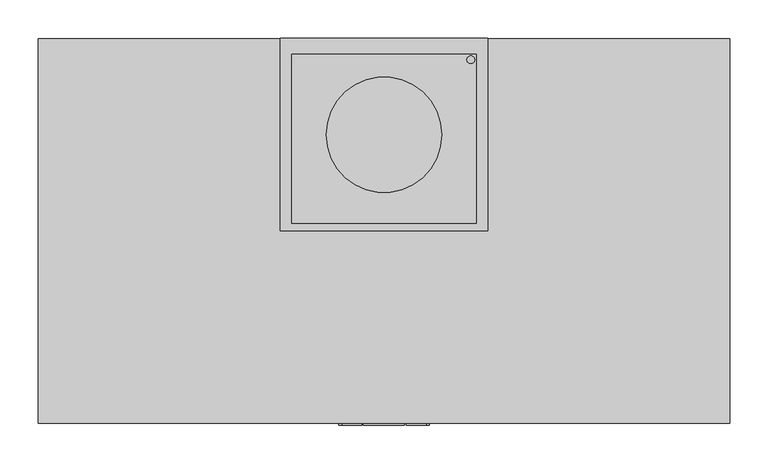
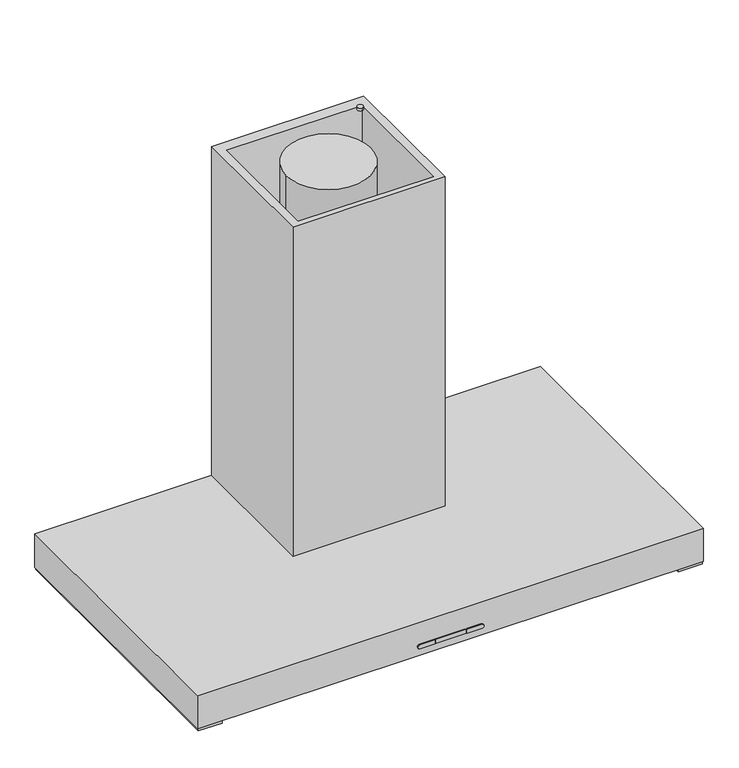
"""IFC4 building model written with IfcOpenShell, lengths in millimetres: proxy geometry."""

from ifc_helpers import new_model, si_unit, point, frame, frame_2d, origin, place, context, project, spatial, polyline, circle_curve, trimmed, segment, composite_curve, outline, extrude, source, transform, mapped, element, save


def specialty_equipment_2822fd2c(model_context):
    return source(origin(), model_context, "Body", "SweptSolid", [
        extrude(outline(polyline([(177.5, 250.0), (177.5, 0.0), (-92.5, 0.0), (-92.5, 250.0), (177.5, 250.0)]), holes=[polyline([(162.5, 229.5), (-77.5, 229.5), (-77.5, 10.0), (162.5, 10.0), (162.5, 229.5)])]), frame((0.0, 0.0, 1617.0), z_axis=(0.0, 0.0, 1.0), x_axis=(1.0, 0.0, 0.0)), (0.0, 0.0, 1.0), 618.0),
        extrude(outline(composite_curve([segment(trimmed(circle_curve(frame_2d((42.5, 125.0)), 75.0), [point((-32.5, 125.0))], [point((117.5, 125.0))], False, "CARTESIAN"), True, "CONTINUOUS"), segment(trimmed(circle_curve(frame_2d((42.5, 125.0)), 75.0), [point((117.5, 125.0))], [point((-32.5, 125.0))], False, "CARTESIAN"), True, "CONTINUOUS")], self_intersect=False)), frame((0.0, 0.0, 1617.0), z_axis=(0.0, 0.0, 1.0), x_axis=(1.0, 0.0, 0.0)), (0.0, 0.0, 1.0), 618.0),
        extrude(outline(polyline([(491.5, -250.0), (-406.5, -250.0), (-406.5, 250.0), (491.5, 250.0), (491.5, -250.0)])), frame((0.0, 0.0, 1555.0), z_axis=(0.0, 0.0, 1.0), x_axis=(1.0, 0.0, 0.0)), (0.0, 0.0, 1.0), 62.0),
        extrude(outline(polyline([(45.0, -155.0), (45.0, 155.0), (437.8572619, 155.0), (437.8572619, -155.0), (45.0, -155.0)]), holes=[polyline([(55.0, -148.0), (430.8572619, -148.0), (430.8572619, 148.0), (55.0, 148.0), (55.0, -148.0)])]), frame((0.0, 0.0, 1549.0), z_axis=(0.0, 0.0, 1.0), x_axis=(1.0, 0.0, 0.0)), (0.0, 0.0, 1.0), 6.0),
        extrude(outline(polyline([(37.5, -155.0), (-352.8572619, -155.0), (-352.8572619, 155.0), (37.5, 155.0), (37.5, -155.0)]), holes=[polyline([(27.5, -148.0), (27.5, 148.0), (-345.8572619, 148.0), (-345.8572619, -148.0), (27.5, -148.0)])]), frame((0.0, 0.0, 1549.0), z_axis=(0.0, 0.0, 1.0), x_axis=(1.0, 0.0, 0.0)), (0.0, 0.0, 1.0), 6.0),
        extrude(outline(polyline([(68.75, -252.4753977), (15.625, -252.4753977), (15.625, -250.0), (68.75, -250.0), (68.75, -252.4753977)])), frame((0.0, 0.0, 1568.5755809), z_axis=(0.0, 0.0, 1.0), x_axis=(1.0, 0.0, 0.0)), (0.0, 0.0, 1.0), 7.5),
        extrude(outline(composite_curve([segment(polyline([(1576.0755809, 97.5104406), (1576.0755809, 71.1268429), (1568.5755809, 71.1268429), (1568.5755809, 97.5104406)]), True, "CONTINUOUS"), segment(trimmed(circle_curve(frame_2d((1572.3255809, 97.5104406)), 3.75), [point((1568.5755809, 97.5104406))], [point((1576.0755809, 97.5104406))], False, "CARTESIAN"), True, "CONTINUOUS")], self_intersect=False)), frame((0.0, -252.4753977, 0.0), z_axis=(0.0, 1.0, 0.0), x_axis=(0.0, 0.0, 1.0)), (0.0, 0.0, 1.0), 2.4753977),
        extrude(outline(composite_curve([segment(trimmed(circle_curve(frame_2d((1572.3255809, -12.5104406)), 3.75), [point((1576.0755809, -12.5104406))], [point((1568.5755809, -12.5104406))], False, "CARTESIAN"), True, "CONTINUOUS"), segment(polyline([(1568.5755809, -12.5104406), (1568.5755809, 13.8731571), (1576.0755809, 13.8731571), (1576.0755809, -12.5104406)]), True, "CONTINUOUS")], self_intersect=False)), frame((0.0, -252.4753977, 0.0), z_axis=(0.0, 1.0, 0.0), x_axis=(0.0, 0.0, 1.0)), (0.0, 0.0, 1.0), 2.4753977),
        extrude(outline(composite_curve([segment(trimmed(circle_curve(frame_2d((-261.5, 210.0)), 30.0), [point((-231.5, 210.0))], [point((-291.5, 210.0))], False, "CARTESIAN"), True, "CONTINUOUS"), segment(trimmed(circle_curve(frame_2d((-261.5, 210.0)), 30.0), [point((-291.5, 210.0))], [point((-231.5, 210.0))], False, "CARTESIAN"), True, "CONTINUOUS")], self_intersect=False)), frame((0.0, 0.0, 1553.4), z_axis=(0.0, 0.0, 1.0), x_axis=(1.0, 0.0, 0.0)), (0.0, 0.0, 1.0), 1.6),
        extrude(outline(composite_curve([segment(trimmed(circle_curve(frame_2d((346.5, 210.0)), 30.0), [point((376.5, 210.0))], [point((316.5, 210.0))], False, "CARTESIAN"), True, "CONTINUOUS"), segment(trimmed(circle_curve(frame_2d((346.5, 210.0)), 30.0), [point((316.5, 210.0))], [point((376.5, 210.0))], False, "CARTESIAN"), True, "CONTINUOUS")], self_intersect=False)), frame((0.0, 0.0, 1553.4), z_axis=(0.0, 0.0, 1.0), x_axis=(1.0, 0.0, 0.0)), (0.0, 0.0, 1.0), 1.6),
        extrude(outline(polyline([(27.5, -148.0), (-346.5, -148.0), (-346.5, 148.0), (27.5, 148.0), (27.5, -148.0)])), frame((0.0, 0.0, 1551.0), z_axis=(0.0, 0.0, 1.0), x_axis=(1.0, 0.0, 0.0)), (0.0, 0.0, 1.0), 4.0),
        extrude(outline(polyline([(432.3572619, 148.0), (432.3572619, -148.0), (55.0, -148.0), (55.0, 148.0), (432.3572619, 148.0)])), frame((0.0, 0.0, 1551.0), z_axis=(0.0, 0.0, 1.0), x_axis=(1.0, 0.0, 0.0)), (0.0, 0.0, 1.0), 4.0),
        extrude(outline(composite_curve([segment(polyline([(-337.9716996, -217.5), (-291.5, -217.5)]), True, "CONTINUOUS"), segment(trimmed(circle_curve(frame_2d((-291.5, -221.0283004)), 3.5283004), [point((-291.5, -217.5))], [point((-287.9716996, -221.0283004))], False, "CARTESIAN"), True, "CONTINUOUS"), segment(polyline([(-287.9716996, -221.0283004), (-287.9716996, -236.4716996)]), True, "CONTINUOUS"), segment(trimmed(circle_curve(frame_2d((-291.5, -236.4716996)), 3.5283004), [point((-287.9716996, -236.4716996))], [point((-291.5, -240.0))], False, "CARTESIAN"), True, "CONTINUOUS"), segment(polyline([(-291.5, -240.0), (-337.9716996, -240.0)]), True, "CONTINUOUS"), segment(trimmed(circle_curve(frame_2d((-337.9716996, -236.4716996)), 3.5283004), [point((-337.9716996, -240.0))], [point((-341.5, -236.4716996))], False, "CARTESIAN"), True, "CONTINUOUS"), segment(polyline([(-341.5, -236.4716996), (-341.5, -221.0283004)]), True, "CONTINUOUS"), segment(trimmed(circle_curve(frame_2d((-337.9716996, -221.0283004)), 3.5283004), [point((-341.5, -221.0283004))], [point((-337.9716996, -217.5))], False, "CARTESIAN"), True, "CONTINUOUS")], self_intersect=False)), frame((0.0, 0.0, 1553.0), z_axis=(0.0, 0.0, 1.0), x_axis=(1.0, 0.0, 0.0)), (0.0, 0.0, 1.0), 2.0),
        extrude(outline(composite_curve([segment(trimmed(circle_curve(frame_2d((422.9716996, -221.0283004)), 3.5283004), [point((422.9716996, -217.5))], [point((426.5, -221.0283004))], False, "CARTESIAN"), True, "CONTINUOUS"), segment(polyline([(426.5, -221.0283004), (426.5, -236.4716996)]), True, "CONTINUOUS"), segment(trimmed(circle_curve(frame_2d((422.9716996, -236.4716996)), 3.5283004), [point((426.5, -236.4716996))], [point((422.9716996, -240.0))], False, "CARTESIAN"), True, "CONTINUOUS"), segment(polyline([(422.9716996, -240.0), (376.5, -240.0)]), True, "CONTINUOUS"), segment(trimmed(circle_curve(frame_2d((376.5, -236.4716996)), 3.5283004), [point((376.5, -240.0))], [point((372.9716996, -236.4716996))], False, "CARTESIAN"), True, "CONTINUOUS"), segment(polyline([(372.9716996, -236.4716996), (372.9716996, -221.0283004)]), True, "CONTINUOUS"), segment(trimmed(circle_curve(frame_2d((376.5, -221.0283004)), 3.5283004), [point((372.9716996, -221.0283004))], [point((376.5, -217.5))], False, "CARTESIAN"), True, "CONTINUOUS"), segment(polyline([(376.5, -217.5), (422.9716996, -217.5)]), True, "CONTINUOUS")], self_intersect=False)), frame((0.0, 0.0, 1553.0), z_axis=(0.0, 0.0, 1.0), x_axis=(1.0, 0.0, 0.0)), (0.0, 0.0, 1.0), 2.0),
        extrude(outline(polyline([(-362.8572619, 250.0), (-362.8572619, -250.0), (-405.0, -250.0), (-405.0, 250.0), (-362.8572619, 250.0)])), frame((0.0, 0.0, 1550.0), z_axis=(0.0, 0.0, 1.0), x_axis=(1.0, 0.0, 0.0)), (0.0, 0.0, 1.0), 5.0),
        extrude(outline(polyline([(447.8572619, 250.0), (490.0, 250.0), (490.0, -250.0), (447.8572619, -250.0), (447.8572619, 250.0)])), frame((0.0, 0.0, 1550.0), z_axis=(0.0, 0.0, 1.0), x_axis=(1.0, 0.0, 0.0)), (0.0, 0.0, 1.0), 5.0),
        extrude(outline(polyline([(-362.8572619, 165.0), (447.8572619, 165.0), (447.8572619, -165.0), (-362.8572619, -165.0), (-362.8572619, 165.0)]), holes=[polyline([(-352.8572619, 155.0), (-352.8572619, -155.0), (437.8572619, -155.0), (437.8572619, 155.0), (-352.8572619, 155.0)])]), frame((0.0, 0.0, 1551.0), z_axis=(0.0, 0.0, 1.0), x_axis=(1.0, 0.0, 0.0)), (0.0, 0.0, 1.0), 4.0),
        extrude(outline(composite_curve([segment(trimmed(circle_curve(frame_2d((155.3125, 222.5)), 5.0), [point((155.3125, 227.5))], [point((155.3125, 217.5))], False, "CARTESIAN"), True, "CONTINUOUS"), segment(trimmed(circle_curve(frame_2d((155.3125, 222.5)), 5.0), [point((155.3125, 217.5))], [point((155.3125, 227.5))], False, "CARTESIAN"), True, "CONTINUOUS")], self_intersect=False)), frame((0.0, 0.0, 2235.0), z_axis=(0.0, 0.0, 1.0), x_axis=(1.0, 0.0, 0.0)), (0.0, 0.0, 1.0), 5.0),
    ])


if __name__ == "__main__":
    model = new_model("IFC4")
    model_context = context("Model", 3, world=origin())
    ifc_project = project(units=[si_unit("LENGTHUNIT", "METRE", prefix="MILLI")], contexts=[model_context])
    site = spatial("IfcSite", under=ifc_project)
    building = spatial("IfcBuilding", under=site)
    placement = place(None, origin())
    specialty_equipment_shape = specialty_equipment_2822fd2c(model_context)
    element("IfcBuildingElementProxy", 1, Name="Specialty Equipment", at=placement, inside=building, context=model_context, shape_type="MappedRepresentation", body=[
        mapped(specialty_equipment_shape, transform((0.0, 0.0, 0.0), x_axis=(1.0, 0.0, 0.0), y_axis=(0.0, 1.0, 0.0), z_axis=(0.0, 0.0, 1.0))),
    ])
    save(model, "model.ifc")
